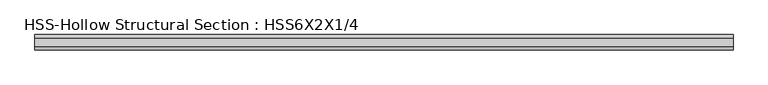
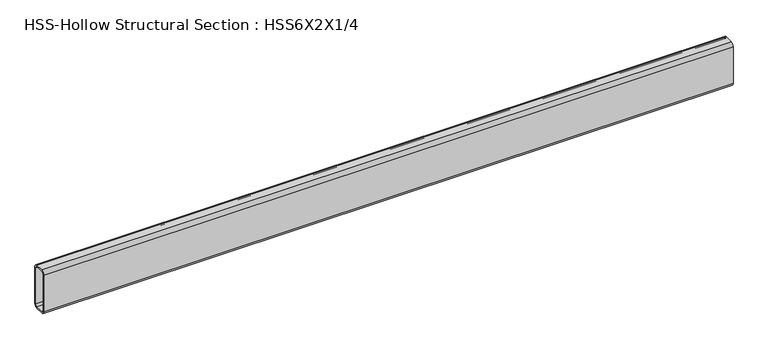
"""IFC4 building model written with IfcOpenShell, lengths in millimetres: beam geometry, HSS-Hollow Structural Section : HSS6X2X1/4."""

from ifc_helpers import new_model, si_unit, point, frame, frame_2d, origin, place, context, project, spatial, polyline, circle_curve, trimmed, segment, composite_curve, outline, extrude, source, transform, mapped, element, save


def hss_hollow_structural_section_hss6x2x1_4_2356bf4d(model_context):
    return source(origin(), model_context, "Body", "SweptSolid", [
        extrude(outline(composite_curve([segment(polyline([(25.4, 64.3636), (25.4, -64.3636)]), True, "CONTINUOUS"), segment(trimmed(circle_curve(frame_2d((13.5636, -64.3636)), 11.8364), [point((25.4, -64.3636))], [point((13.5636, -76.2))], False, "CARTESIAN"), True, "CONTINUOUS"), segment(polyline([(13.5636, -76.2), (-13.5636, -76.2)]), True, "CONTINUOUS"), segment(trimmed(circle_curve(frame_2d((-13.5636, -64.3636)), 11.8364), [point((-13.5636, -76.2))], [point((-25.4, -64.3636))], False, "CARTESIAN"), True, "CONTINUOUS"), segment(polyline([(-25.4, -64.3636), (-25.4, 64.3636)]), True, "CONTINUOUS"), segment(trimmed(circle_curve(frame_2d((-13.5636, 64.3636)), 11.8364), [point((-25.4, 64.3636))], [point((-13.5636, 76.2))], False, "CARTESIAN"), True, "CONTINUOUS"), segment(polyline([(-13.5636, 76.2), (13.5636, 76.2)]), True, "CONTINUOUS"), segment(trimmed(circle_curve(frame_2d((13.5636, 64.3636)), 11.8364), [point((13.5636, 76.2))], [point((25.4, 64.3636))], False, "CARTESIAN"), True, "CONTINUOUS")], self_intersect=False), holes=[composite_curve([segment(trimmed(circle_curve(frame_2d((-13.5636, 64.3636)), 5.9182), [point((-13.5636, 70.2818))], [point((-19.4818, 64.3636))], True, "CARTESIAN"), True, "CONTINUOUS"), segment(polyline([(-19.4818, 64.3636), (-19.4818, -64.3636)]), True, "CONTINUOUS"), segment(trimmed(circle_curve(frame_2d((-13.5636, -64.3636)), 5.9182), [point((-19.4818, -64.3636))], [point((-13.5636, -70.2818))], True, "CARTESIAN"), True, "CONTINUOUS"), segment(polyline([(-13.5636, -70.2818), (13.5636, -70.2818)]), True, "CONTINUOUS"), segment(trimmed(circle_curve(frame_2d((13.5636, -64.3636)), 5.9182), [point((13.5636, -70.2818))], [point((19.4818, -64.3636))], True, "CARTESIAN"), True, "CONTINUOUS"), segment(polyline([(19.4818, -64.3636), (19.4818, 64.3636)]), True, "CONTINUOUS"), segment(trimmed(circle_curve(frame_2d((13.5636, 64.3636)), 5.9182), [point((19.4818, 64.3636))], [point((13.5636, 70.2818))], True, "CARTESIAN"), True, "CONTINUOUS"), segment(polyline([(13.5636, 70.2818), (-13.5636, 70.2818)]), True, "CONTINUOUS")], self_intersect=False)]), frame((-1154.1125, 0.0, 0.0), z_axis=(1.0, 0.0, 0.0), x_axis=(0.0, 1.0, 0.0)), (0.0, 0.0, 1.0), 2308.225),
    ])


if __name__ == "__main__":
    model = new_model("IFC4")
    model_context = context("Model", 3, world=origin())
    ifc_project = project(units=[si_unit("LENGTHUNIT", "METRE", prefix="MILLI")], contexts=[model_context])
    site = spatial("IfcSite", under=ifc_project)
    building = spatial("IfcBuilding", under=site)
    placement = place(None, origin())
    hss_hollow_structural_section_hss6x2x1_4_shape = hss_hollow_structural_section_hss6x2x1_4_2356bf4d(model_context)
    element("IfcBeam", 1, ObjectType="HSS-Hollow Structural Section : HSS6X2X1/4", at=placement, inside=building, context=model_context, shape_type="MappedRepresentation", body=[
        mapped(hss_hollow_structural_section_hss6x2x1_4_shape, transform((0.0, 0.0, 0.0), x_axis=(1.0, 0.0, 0.0), y_axis=(0.0, 1.0, 0.0), z_axis=(0.0, 0.0, 1.0))),
    ])
    save(model, "model.ifc")
